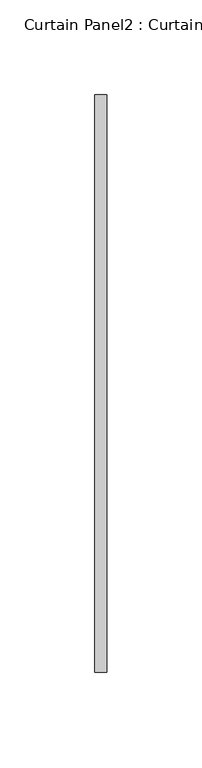
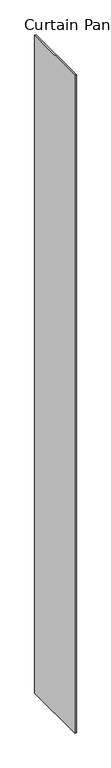
"""IFC4 building model written with IfcOpenShell, lengths in millimetres: plate geometry, Curtain Panel2 : Curtain Panel."""

from ifc_helpers import new_model, si_unit, origin, origin_with_axes, place, context, project, spatial, polyline, outline, extrude, source, transform, mapped, element, save


def curtain_panel2_curtain_panel_b94d4213(model_context):
    return source(origin(), model_context, "Body", "SweptSolid", [
        extrude(outline(polyline([(173545.2194343, 2964.0884044), (173545.2194343, 3268.8884044), (173551.5694343, 3268.8884044), (173551.5694343, 2964.0884044), (173545.2194343, 2964.0884044)])), origin_with_axes(), (0.0, 0.0, 1.0), 3048.0),
    ])


if __name__ == "__main__":
    model = new_model("IFC4")
    model_context = context("Model", 3, world=origin())
    ifc_project = project(units=[si_unit("LENGTHUNIT", "METRE", prefix="MILLI")], contexts=[model_context])
    site = spatial("IfcSite", under=ifc_project)
    building = spatial("IfcBuilding", under=site)
    placement = place(None, origin())
    curtain_panel2_curtain_panel_shape = curtain_panel2_curtain_panel_b94d4213(model_context)
    element("IfcPlate", 1, ObjectType="Curtain Panel2 : Curtain Panel", at=placement, inside=building, context=model_context, shape_type="MappedRepresentation", body=[
        mapped(curtain_panel2_curtain_panel_shape, transform((0.0, 0.0, 0.0), x_axis=(1.0, 0.0, 0.0), y_axis=(0.0, 1.0, 0.0), z_axis=(0.0, 0.0, 1.0))),
    ])
    save(model, "model.ifc")
